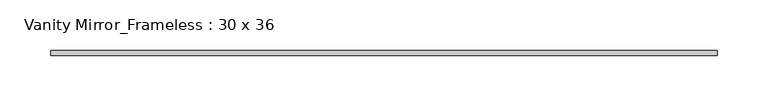
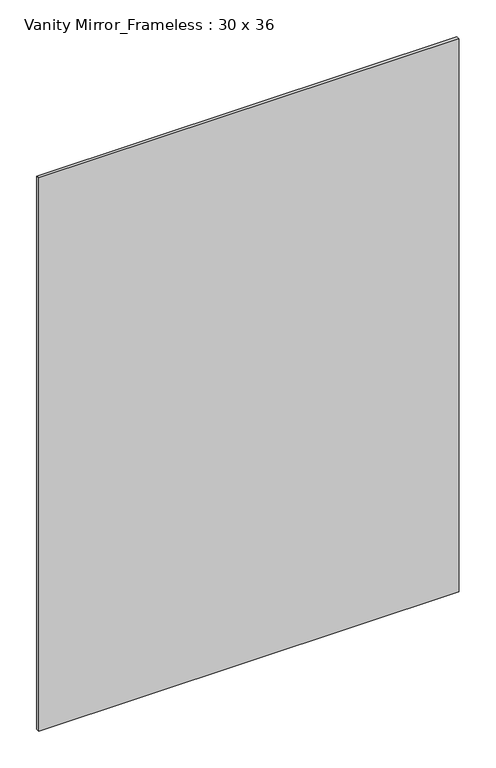
"""IFC4 building model written with IfcOpenShell, lengths in millimetres: furniture geometry, Vanity Mirror_Frameless : 30 x 36."""

from ifc_helpers import new_model, si_unit, frame, origin, place, context, project, spatial, polyline, outline, extrude, source, transform, mapped, element, save


def vanity_mirror_frameless_30_x_36_0322bab4(model_context):
    return source(origin(), model_context, "Body", "SweptSolid", [
        extrude(outline(polyline([(-328.7662865, 80.9625), (328.7662865, 80.9625), (328.7662865, 76.2), (-328.7662865, 76.2), (-328.7662865, 80.9625)])), frame((0.0, 0.0, 762.0), z_axis=(0.0, 0.0, 1.0), x_axis=(1.0, 0.0, 0.0)), (0.0, 0.0, 1.0), 914.4),
    ])


if __name__ == "__main__":
    model = new_model("IFC4")
    model_context = context("Model", 3, world=origin())
    ifc_project = project(units=[si_unit("LENGTHUNIT", "METRE", prefix="MILLI")], contexts=[model_context])
    site = spatial("IfcSite", under=ifc_project)
    building = spatial("IfcBuilding", under=site)
    placement = place(None, origin())
    vanity_mirror_frameless_30_x_36_shape = vanity_mirror_frameless_30_x_36_0322bab4(model_context)
    element("IfcFurniture", 1, ObjectType="Vanity Mirror_Frameless : 30 x 36", at=placement, inside=building, context=model_context, shape_type="MappedRepresentation", body=[
        mapped(vanity_mirror_frameless_30_x_36_shape, transform((0.0, 0.0, 0.0), x_axis=(1.0, 0.0, 0.0), y_axis=(0.0, 1.0, 0.0), z_axis=(0.0, 0.0, 1.0))),
    ])
    save(model, "model.ifc")
